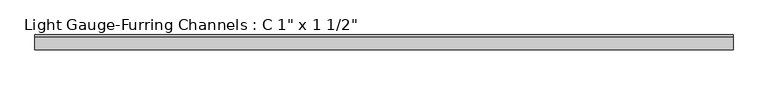
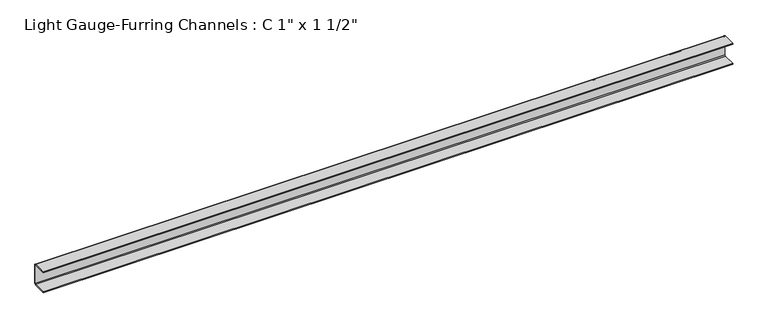
"""IFC4 building model written with IfcOpenShell, lengths in millimetres: beam geometry."""

from ifc_helpers import new_model, si_unit, point, frame, frame_2d, origin, place, context, project, spatial, polyline, circle_curve, trimmed, segment, composite_curve, outline, extrude, source, transform, mapped, element, save


def beam_cfd28286(model_context):
    return source(origin(), model_context, "Body", "SweptSolid", [
        extrude(outline(composite_curve([segment(trimmed(circle_curve(frame_2d((-3.175, -15.875)), 3.175), [point((0.0, -15.875))], [point((-3.175, -19.05))], False, "CARTESIAN"), True, "CONTINUOUS"), segment(polyline([(-3.175, -19.05), (-25.4, -19.05), (-25.4, -17.4625), (-3.175, -17.4625)]), True, "CONTINUOUS"), segment(trimmed(circle_curve(frame_2d((-3.175, -15.875)), 1.5875), [point((-3.175, -17.4625))], [point((-1.5875, -15.875))], True, "CARTESIAN"), True, "CONTINUOUS"), segment(polyline([(-1.5875, -15.875), (-1.5875, 15.875)]), True, "CONTINUOUS"), segment(trimmed(circle_curve(frame_2d((-3.175, 15.875)), 1.5875), [point((-1.5875, 15.875))], [point((-3.175, 17.4625))], True, "CARTESIAN"), True, "CONTINUOUS"), segment(polyline([(-3.175, 17.4625), (-25.4, 17.4625), (-25.4, 19.05), (-3.175, 19.05)]), True, "CONTINUOUS"), segment(trimmed(circle_curve(frame_2d((-3.175, 15.875)), 3.175), [point((-3.175, 19.05))], [point((0.0, 15.875))], False, "CARTESIAN"), True, "CONTINUOUS"), segment(polyline([(0.0, 15.875), (0.0, -15.875)]), True, "CONTINUOUS")], self_intersect=False)), frame((-593.725, 0.0, 0.0), z_axis=(1.0, 0.0, 0.0), x_axis=(0.0, 1.0, 0.0)), (0.0, 0.0, 1.0), 1187.45),
    ])


if __name__ == "__main__":
    model = new_model("IFC4")
    model_context = context("Model", 3, world=origin())
    ifc_project = project(units=[si_unit("LENGTHUNIT", "METRE", prefix="MILLI")], contexts=[model_context])
    site = spatial("IfcSite", under=ifc_project)
    building = spatial("IfcBuilding", under=site)
    placement = place(None, origin())
    beam_shape = beam_cfd28286(model_context)
    element("IfcBeam", 1, ObjectType="Light Gauge-Furring Channels : C 1\" x 1 1/2\"", at=placement, inside=building, context=model_context, shape_type="MappedRepresentation", body=[
        mapped(beam_shape, transform((0.0, 0.0, 0.0), x_axis=(1.0, 0.0, 0.0), y_axis=(0.0, 1.0, 0.0), z_axis=(0.0, 0.0, 1.0))),
    ])
    save(model, "model.ifc")
